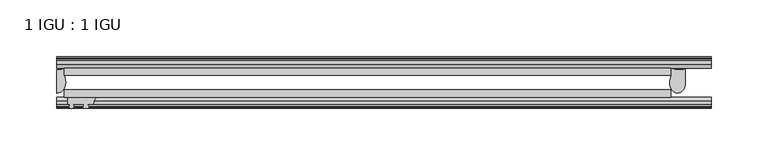
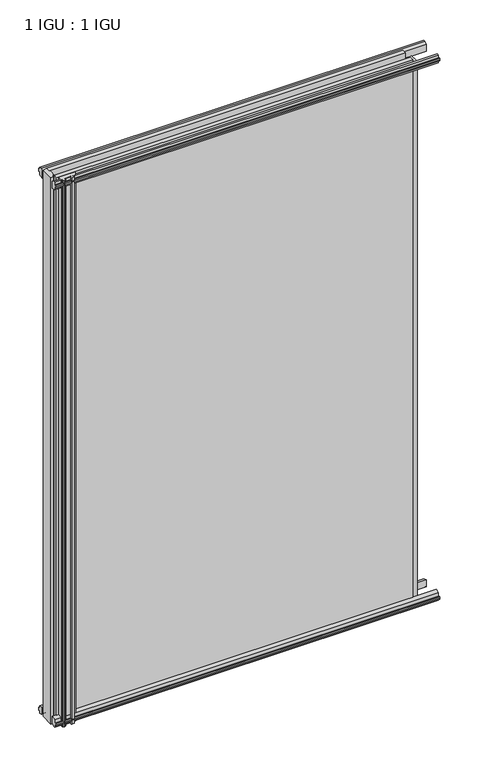
"""IFC4 building model written with IfcOpenShell, lengths in millimetres: plate geometry, 1 IGU : 1 IGU."""

from ifc_helpers import new_model, si_unit, point, frame, frame_2d, origin, place, context, project, spatial, polyline, circle_curve, ellipse_curve, trimmed, segment, composite_curve, outline, extrude, source, transform, mapped, element, save
from ifc_brep_helpers import plane_surface, cylinder_surface, revolved_surface, extruded_surface, advanced_brep


def plate_1_igu_1_igu_72b3a182(model_context):
    return source(origin(), model_context, "Body", "SolidModel", [
        extrude(outline(polyline([(-314.3261907, -38.6468937), (218.0840032, -38.6468937), (218.0840032, -44.9460938), (-314.3261907, -44.9460938), (-314.3261907, -38.6468937)])), frame((0.0, 0.0, -12.7), z_axis=(0.0, 0.0, 1.0), x_axis=(1.0, 0.0, 0.0)), (0.0, 0.0, 1.0), 863.5872996),
        extrude(outline(polyline([(-314.3261907, -19.5460937), (218.0840032, -19.5460937), (218.0840032, -25.8960938), (-314.3261907, -25.8960938), (-314.3261907, -19.5460937)])), frame((0.0, 0.0, -12.7), z_axis=(0.0, 0.0, 1.0), x_axis=(1.0, 0.0, 0.0)), (0.0, 0.0, 1.0), 863.5872996),
        advanced_brep(
        [(230.8149887, -20.0381352, 838.1872996), (218.1149887, -19.5460938, 838.1872996), (218.1149887, -25.8960938, 838.1872996), (217.2629308, -29.4671887, 838.1872996), (230.8149887, -32.2460938, 838.1872996), (230.8149887, -20.0381352, -12.4587), (230.8149887, -32.2460938, -12.4587), (217.266167, -29.4679608, -12.4587), (218.1149887, -25.8960938, -12.4587), (218.1149887, -19.5460938, -12.4587)],
        [
            (0, 1, circle_curve(frame((225.0982619, -3.4468047, 838.1872996), z_axis=(0.0, 0.0, -1.0), x_axis=(0.0, 1.0, 0.0)), 17.5485957)),
            (1, 2),
            (2, 3),
            (3, 4, ellipse_curve(frame((223.8788201, -32.2460938, 838.1872996), z_axis=(0.0, 0.0, 1.0), x_axis=(0.0, -1.0, 0.0)), 9.2039536, 6.9361686)),
            (4, 0),
            (5, 6),
            (6, 7, ellipse_curve(frame((223.8788201, -32.2460938, -12.4587), z_axis=(0.0, 0.0, -1.0), x_axis=(0.0, -1.0, 0.0)), 9.2039536, 6.9361686)),
            (7, 8),
            (8, 9),
            (9, 5, circle_curve(frame((225.0982619, -3.4468047, -12.4587), z_axis=(0.0, 0.0, 1.0), x_axis=(0.0, 1.0, 0.0)), 17.5485957)),
            (0, 5),
            (9, 1),
            (8, 2),
            (7, 3),
            (6, 4),
        ],
        [
            plane_surface(frame((253.2074407, -13.1960938, 838.1872996), z_axis=(0.0, 0.0, 1.0), x_axis=(0.0, 1.0, 0.0))),
            plane_surface(frame((253.2074407, -13.1960938, -12.4587), z_axis=(0.0, 0.0, -1.0), x_axis=(0.0, 1.0, 0.0))),
            revolved_surface(polyline([(225.0982619, 14.101791, -12.458700000000022), (225.0982619, 14.101791, 838.1872996)]), (225.0982619, -3.4468047, 838.1872996), (0.0, 0.0, -1.0)),
            plane_surface(frame((218.1149887, -19.5460938, 838.1872996), z_axis=(-1.0, 0.0, 0.0), x_axis=(0.0, 0.0, -1.0))),
            plane_surface(frame((218.1149887, -25.8960938, 838.1872996), z_axis=(-0.972695803429064, 0.23208376503212744, 0.0), x_axis=(0.0, 0.0, -1.0))),
            extruded_surface(trimmed(ellipse_curve(frame((223.8788201, -32.2460938, -12.4587), z_axis=(0.0, 0.0, 1.0), x_axis=(0.0, -1.0, 0.0)), 9.2039536, 6.9361686), [point((217.266167, -29.4679608, -12.4587))], [point((230.8149887, -32.2460938, -12.4587))], True, "CARTESIAN"), (0.0, 0.0, 850.6459996), 850.6459996),
            plane_surface(frame((230.8149887, -32.2460938, 838.1872996), z_axis=(1.0, 0.0, 0.0), x_axis=(0.0, 0.0, -1.0))),
        ],
        [
            (0, [[1, 2, 3, 4, 5]]),
            (1, [[6, 7, 8, 9, 10]]),
            (2, [[-1, 11, -10, 12]]),
            (3, [[-2, -12, -9, 13]]),
            (4, [[-3, -13, -8, 14]]),
            (5, [[-4, -14, -7, 15]]),
            (6, [[-5, -15, -6, -11]]),
        ],
    ),
        advanced_brep(
        [(-320.6761907, -21.1706006, -12.7), (-314.3275788, -19.5461438, -12.7), (-314.3275788, -25.8549351, -12.7), (-313.1522276, -32.21431, -12.7), (-320.6761907, -41.5384043, -12.7), (-320.6761907, -21.1706006, 850.8872996), (-320.6761907, -41.5384043, 850.8872996), (-313.1522276, -32.21431, 850.8872996), (-314.3275788, -25.8549351, 850.8872996), (-314.3275788, -19.5461438, 850.8872996)],
        [
            (0, 1, circle_curve(frame((-320.6767601, -7.9505008, -12.7), z_axis=(0.0, 0.0, 1.0), x_axis=(1.0, 0.0, 0.0)), 13.2200998)),
            (1, 2),
            (2, 3, circle_curve(frame((-331.2145919, -32.2643264, -12.7), z_axis=(0.0, 0.0, -1.0), x_axis=(1.0, 0.0, 0.0)), 18.0624336)),
            (3, 4, ellipse_curve(frame((-320.6753578, -32.2460921, -12.7), z_axis=(0.0, 0.0, -1.0), x_axis=(0.0, -1.0, 0.0)), 9.2923123, 7.5231742)),
            (4, 0),
            (5, 6),
            (6, 7, ellipse_curve(frame((-320.6753578, -32.2460921, 850.8872996), z_axis=(0.0, 0.0, 1.0), x_axis=(0.0, -1.0, 0.0)), 9.2923123, 7.5231742)),
            (7, 8, circle_curve(frame((-331.2145919, -32.2643264, 850.8872996), z_axis=(0.0, 0.0, 1.0), x_axis=(1.0, 0.0, 0.0)), 18.0624336)),
            (8, 9),
            (9, 5, circle_curve(frame((-320.6767601, -7.9505008, 850.8872996), z_axis=(0.0, 0.0, -1.0), x_axis=(1.0, 0.0, 0.0)), 13.2200998)),
            (0, 5),
            (9, 1),
            (8, 2),
            (7, 3),
            (6, 4),
        ],
        [
            plane_surface(frame((-320.6761907, -13.1960937, -12.7), z_axis=(0.0, 0.0, -1.0), x_axis=(0.0, 1.0, 0.0))),
            plane_surface(frame((-320.6761907, -13.1960937, 850.8872996), z_axis=(0.0, 0.0, 1.0), x_axis=(0.0, 1.0, 0.0))),
            revolved_surface(polyline([(-307.4566603, -7.9505008, 850.8872996), (-307.4566603, -7.9505008, -12.7)]), (-320.6767601, -7.9505008, -12.7), (0.0, 0.0, 1.0)),
            plane_surface(frame((-314.3275788, -19.5461438, -12.7), z_axis=(1.0, 0.0, 0.0), x_axis=(0.0, 0.0, 1.0))),
            cylinder_surface(frame((-331.2145919, -32.2643264, -12.7), z_axis=(0.0, 0.0, -1.0), x_axis=(1.0, 0.0, 0.0)), 18.0624336),
            extruded_surface(trimmed(ellipse_curve(frame((-320.6753578, -32.2460921, 850.8872996), z_axis=(0.0, 0.0, -1.0), x_axis=(0.0, -1.0, 0.0)), 9.2923123, 7.5231742), [point((-313.1522276, -32.21431, 850.8872996))], [point((-320.6761907, -41.5384043, 850.8872996))], True, "CARTESIAN"), (0.0, 0.0, -863.5872996), 863.5872996),
            plane_surface(frame((-320.6761907, -41.5384043, -12.7), z_axis=(-1.0, 0.0, 0.0), x_axis=(0.0, 0.0, 1.0))),
        ],
        [
            (0, [[1, 2, 3, 4, 5]]),
            (1, [[6, 7, 8, 9, 10]]),
            (2, [[-1, 11, -10, 12]]),
            (3, [[-2, -12, -9, 13]]),
            (4, [[-3, -13, -8, 14]]),
            (5, [[-4, -14, -7, 15]]),
            (6, [[-5, -15, -6, -11]]),
        ],
    ),
        extrude(outline(polyline([(-44.9460937, 1.7177181), (-44.9460937, -9.1036578), (-48.3496937, -11.938), (-51.2960937, -11.938), (-51.2960937, -7.493), (-53.6762907, -7.112), (-53.2163575, -8.5275291), (-54.0175717, -8.5275291), (-54.7250937, -6.35), (-54.0175717, -4.1724709), (-53.2163575, -4.1724709), (-53.6762907, -5.588), (-51.2960937, -5.207), (-51.2960937, 0.0), (-44.9460937, 1.7177181)])), frame((-320.6761907, 0.0, 0.0), z_axis=(1.0, 0.0, 0.0), x_axis=(0.0, 1.0, 0.0)), (0.0, 0.0, 1.0), 573.8836314),
        extrude(outline(polyline([(-13.1960937, -12.4587), (-16.1424937, -12.4587), (-19.5460937, -9.6243578), (-19.5460937, 1.1970181), (-13.1960937, -0.5207), (-13.1960937, -5.7277), (-10.8158968, -6.1087), (-11.27583, -4.6931709), (-10.4746158, -4.6931709), (-9.7670937, -6.8707), (-10.4746158, -9.0482291), (-11.27583, -9.0482291), (-10.8158968, -7.6327), (-13.1960937, -8.0137), (-13.1960937, -12.4587)])), frame((-320.6761907, 0.0, 0.0), z_axis=(1.0, 0.0, 0.0), x_axis=(0.0, 1.0, 0.0)), (0.0, 0.0, 1.0), 573.8836314),
        extrude(outline(polyline([(-51.2960937, 850.1252996), (-48.3496937, 850.1252996), (-44.9460937, 847.2909574), (-44.9460937, 836.4695815), (-51.2960937, 838.1872996), (-51.2960937, 843.3942996), (-53.6762907, 843.7752996), (-53.2163575, 842.3597706), (-54.0175717, 842.3597706), (-54.7250937, 844.5372996), (-54.0175717, 846.7148287), (-53.2163575, 846.7148287), (-53.6762907, 845.2992996), (-51.2960937, 845.6802996), (-51.2960937, 850.1252996)])), frame((-320.6761907, 0.0, 0.0), z_axis=(1.0, 0.0, 0.0), x_axis=(0.0, 1.0, 0.0)), (0.0, 0.0, 1.0), 573.8836314),
        extrude(outline(polyline([(-19.5460937, 836.9902815), (-19.5460937, 847.8116574), (-16.1424937, 850.6459996), (-13.1960937, 850.6459996), (-13.1960937, 846.2009996), (-10.8158968, 845.8199996), (-11.27583, 847.2355287), (-10.4746158, 847.2355287), (-9.7670937, 845.0579996), (-10.4746158, 842.8804706), (-11.27583, 842.8804706), (-10.8158968, 844.2959996), (-13.1960937, 843.9149996), (-13.1960937, 838.7079996), (-19.5460937, 836.9902815)])), frame((-320.6761907, 0.0, 0.0), z_axis=(1.0, 0.0, 0.0), x_axis=(0.0, 1.0, 0.0)), (0.0, 0.0, 1.0), 573.8836314),
        extrude(outline(composite_curve([segment(trimmed(circle_curve(frame_2d((-279.9102594, -51.9750196)), 9.0414579), [point((-285.5972763, -44.9460938))], [point((-288.9261909, -51.2960938))], True, "CARTESIAN"), True, "CONTINUOUS"), segment(polyline([(-288.9261909, -51.2960938), (-293.1679909, -51.2960938)]), True, "CONTINUOUS"), segment(trimmed(circle_curve(frame_2d((-293.1679909, -51.7532938)), 0.4572), [point((-293.1679909, -51.2960938))], [point((-293.5068087, -52.0602698))], True, "CARTESIAN"), True, "CONTINUOUS"), segment(trimmed(circle_curve(frame_2d((-295.2761909, -53.663367)), 2.3876), [point((-293.5068087, -52.0602698))], [point((-293.2055479, -54.8520938))], False, "CARTESIAN"), True, "CONTINUOUS"), segment(polyline([(-293.2055479, -54.8520938), (-297.3468339, -54.8520938)]), True, "CONTINUOUS"), segment(trimmed(circle_curve(frame_2d((-295.2761909, -53.663367)), 2.3876), [point((-297.3468339, -54.8520938))], [point((-297.045573, -52.0602698))], False, "CARTESIAN"), True, "CONTINUOUS"), segment(trimmed(circle_curve(frame_2d((-297.3843909, -51.7532938)), 0.4572), [point((-297.045573, -52.0602698))], [point((-297.3843909, -51.2960938))], True, "CARTESIAN"), True, "CONTINUOUS"), segment(polyline([(-297.3843909, -51.2960938), (-306.4521909, -51.2960938), (-306.4521909, -52.9470938), (-305.3745601, -52.9470938)]), True, "CONTINUOUS"), segment(trimmed(circle_curve(frame_2d((-306.4521909, -52.9470938)), 1.0776307), [point((-305.3745601, -52.9470938))], [point((-305.6901909, -53.7090938))], False, "CARTESIAN"), True, "CONTINUOUS"), segment(polyline([(-305.6901909, -53.7090938), (-307.4294833, -54.8194621)]), True, "CONTINUOUS"), segment(trimmed(circle_curve(frame_2d((-307.9761909, -53.9630938)), 1.016), [point((-307.4294833, -54.8194621))], [point((-308.5228985, -54.8194621))], False, "CARTESIAN"), True, "CONTINUOUS"), segment(polyline([(-308.5228985, -54.8194621), (-310.2621909, -53.7090938)]), True, "CONTINUOUS"), segment(trimmed(circle_curve(frame_2d((-309.5001909, -52.9470938)), 1.0776307), [point((-310.2621909, -53.7090938))], [point((-310.5778216, -52.9470938))], False, "CARTESIAN"), True, "CONTINUOUS"), segment(polyline([(-310.5778216, -52.9470938), (-309.5001909, -52.9470938), (-309.5001909, -51.2960938), (-311.1511909, -51.2960938), (-311.1511909, -44.9460938), (-285.5972763, -44.9460938)]), True, "CONTINUOUS")], self_intersect=False)), frame((0.0, 0.0, -12.7), z_axis=(0.0, 0.0, 1.0), x_axis=(1.0, 0.0, 0.0)), (0.0, 0.0, 1.0), 863.5872998),
    ])


if __name__ == "__main__":
    model = new_model("IFC4")
    model_context = context("Model", 3, world=origin())
    ifc_project = project(units=[si_unit("LENGTHUNIT", "METRE", prefix="MILLI")], contexts=[model_context])
    site = spatial("IfcSite", under=ifc_project)
    building = spatial("IfcBuilding", under=site)
    placement = place(None, origin())
    plate_1_igu_1_igu_shape = plate_1_igu_1_igu_72b3a182(model_context)
    element("IfcPlate", 1, ObjectType="1 IGU : 1 IGU", at=placement, inside=building, context=model_context, shape_type="MappedRepresentation", body=[
        mapped(plate_1_igu_1_igu_shape, transform((0.0, 0.0, 0.0), x_axis=(1.0, 0.0, 0.0), y_axis=(0.0, 1.0, 0.0), z_axis=(0.0, 0.0, 1.0))),
    ])
    save(model, "model.ifc")
